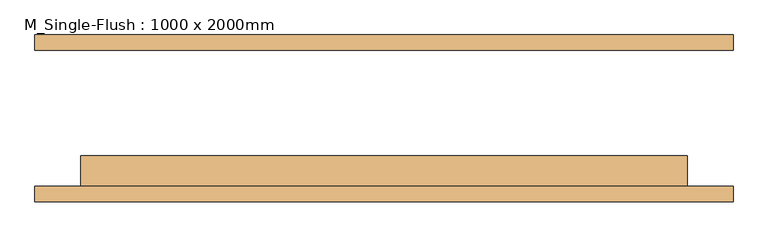
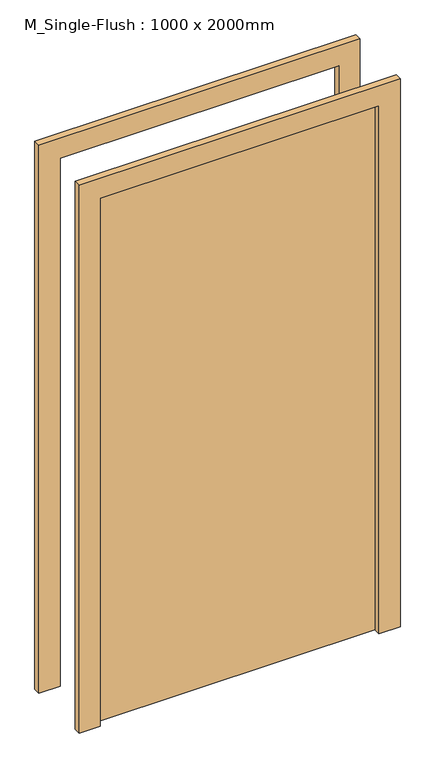
"""IFC4 building model written with IfcOpenShell, lengths in millimetres: door geometry, M_Single-Flush : 1000 x 2000mm."""

from ifc_helpers import new_model, si_unit, frame, origin, origin_with_axes, place, context, project, spatial, polyline, outline, extrude, source, transform, mapped, element, save


def m_single_flush_1000_x_2000mm_004c4a3d(model_context):
    return source(origin(), model_context, "Body", "SweptSolid", [
        extrude(outline(polyline([(2076.0, -576.0), (0.0, -576.0), (0.0, -500.0), (2000.0, -500.0), (2000.0, 500.0), (0.0, 500.0), (0.0, 576.0), (2076.0, 576.0), (2076.0, -576.0)])), frame((0.0, -137.5, 0.0), z_axis=(0.0, 1.0, 0.0), x_axis=(0.0, 0.0, 1.0)), (0.0, 0.0, 1.0), 25.0),
        extrude(outline(polyline([(2076.0, 576.0), (2076.0, -576.0), (0.0, -576.0), (0.0, -500.0), (2000.0, -500.0), (2000.0, 500.0), (0.0, 500.0), (0.0, 576.0), (2076.0, 576.0)])), frame((0.0, 112.5, 0.0), z_axis=(0.0, 1.0, 0.0), x_axis=(0.0, 0.0, 1.0)), (0.0, 0.0, 1.0), 25.0),
        extrude(outline(polyline([(500.0, -61.5), (500.0, -112.5), (-500.0, -112.5), (-500.0, -61.5), (500.0, -61.5)])), origin_with_axes(), (0.0, 0.0, 1.0), 2000.0),
    ])


if __name__ == "__main__":
    model = new_model("IFC4")
    model_context = context("Model", 3, world=origin())
    ifc_project = project(units=[si_unit("LENGTHUNIT", "METRE", prefix="MILLI")], contexts=[model_context])
    site = spatial("IfcSite", under=ifc_project)
    building = spatial("IfcBuilding", under=site)
    placement = place(None, origin())
    m_single_flush_1000_x_2000mm_shape = m_single_flush_1000_x_2000mm_004c4a3d(model_context)
    element("IfcDoor", 1, ObjectType="M_Single-Flush : 1000 x 2000mm", at=placement, inside=building, context=model_context, shape_type="MappedRepresentation", body=[
        mapped(m_single_flush_1000_x_2000mm_shape, transform((0.0, 0.0, 0.0), x_axis=(1.0, 0.0, 0.0), y_axis=(0.0, 1.0, 0.0), z_axis=(0.0, 0.0, 1.0))),
    ])
    save(model, "model.ifc")
